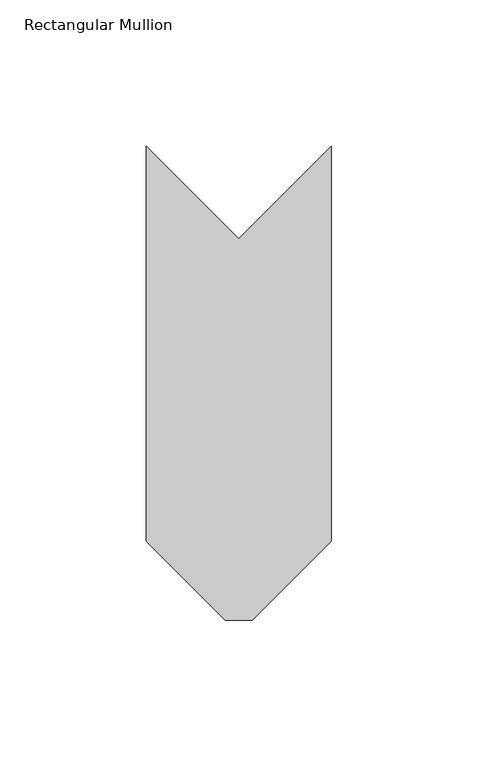
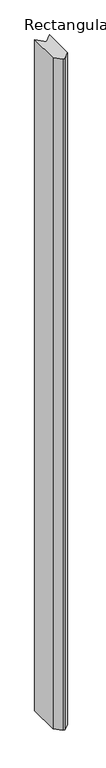
"""IFC4 building model written with IfcOpenShell, lengths in millimetres: member geometry, Rectangular Mullion."""

from ifc_helpers import new_model, si_unit, frame, origin, place, context, project, spatial, polyline, outline, extrude, source, transform, mapped, element, save


def rectangular_mullion_ab8c4ca0(model_context):
    return source(origin(), model_context, "Body", "SweptSolid", [
        extrude(outline(polyline([(-4.572, 38.2479605), (-31.75, 65.4259605), (-31.75, 200.6686176), (0.0, 168.9186176), (31.75, 200.6686176), (31.75, 65.4259605), (4.572, 38.2479605), (-4.572, 38.2479605)])), frame((0.0, 0.0, -3048.0), z_axis=(0.0, 0.0, 1.0), x_axis=(1.0, 0.0, 0.0)), (0.0, 0.0, 1.0), 3048.0),
    ])


if __name__ == "__main__":
    model = new_model("IFC4")
    model_context = context("Model", 3, world=origin())
    ifc_project = project(units=[si_unit("LENGTHUNIT", "METRE", prefix="MILLI")], contexts=[model_context])
    site = spatial("IfcSite", under=ifc_project)
    building = spatial("IfcBuilding", under=site)
    placement = place(None, origin())
    rectangular_mullion_shape = rectangular_mullion_ab8c4ca0(model_context)
    element("IfcMember", 1, ObjectType="Rectangular Mullion", at=placement, inside=building, context=model_context, shape_type="MappedRepresentation", body=[
        mapped(rectangular_mullion_shape, transform((0.0, 0.0, 0.0), x_axis=(1.0, 0.0, 0.0), y_axis=(0.0, 1.0, 0.0), z_axis=(0.0, 0.0, 1.0))),
    ])
    save(model, "model.ifc")
